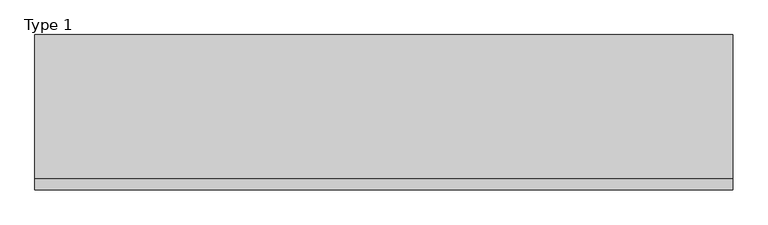
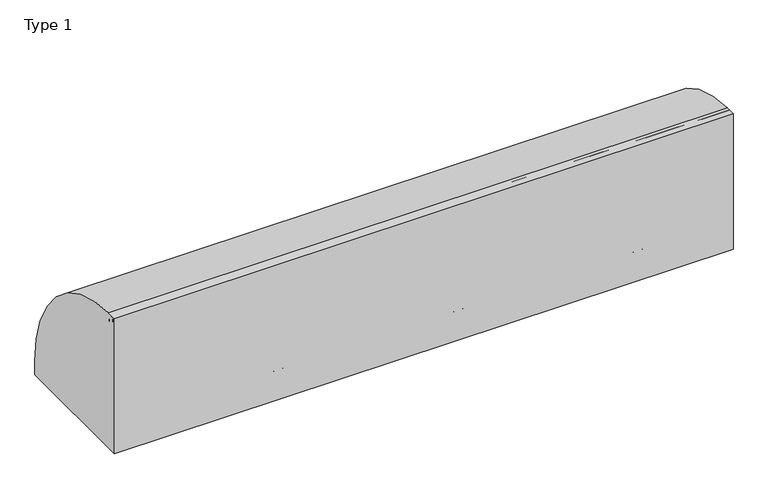
"""IFC4 building model written with IfcOpenShell, lengths in millimetres: railing geometry, Type 1."""

from ifc_helpers import new_model, si_unit, point, frame, frame_2d, origin, place, context, project, spatial, polyline, circle_curve, trimmed, segment, composite_curve, outline, extrude, source, transform, mapped, element, save
from ifc_brep_helpers import plane_surface, cylinder_surface, revolved_surface, advanced_brep


def type_1_e27938e5(model_context):
    return source(origin(), model_context, "Body", "SolidModel", [
        extrude(outline(composite_curve([segment(polyline([(-824.2, 1050.0), (-747.6546144, 1050.0)]), True, "CONTINUOUS"), segment(trimmed(circle_curve(frame_2d((-754.8273072, 108.0)), 942.0273072), [point((-747.6546144, 1050.0))], [point((187.2, 108.0))], False, "CARTESIAN"), True, "CONTINUOUS"), segment(polyline([(187.2, 108.0), (187.2, 0.0), (-824.2, 0.0), (-824.2, 1050.0)]), True, "CONTINUOUS")], self_intersect=False)), frame((-1230.0, 0.0, 0.0), z_axis=(1.0, 0.0, 0.0), x_axis=(0.0, 1.0, 0.0)), (0.0, 0.0, 1.0), 4545.0),
        extrude(outline(composite_curve([segment(trimmed(circle_curve(frame_2d((-746.287505, 538.0)), 20.0), [point((-727.7, 530.617273))], [point((-762.0, 525.6259343))], False, "CARTESIAN"), True, "CONTINUOUS"), segment(polyline([(-762.0, 525.6259343), (-762.0, 550.3740657)]), True, "CONTINUOUS"), segment(trimmed(circle_curve(frame_2d((-746.287505, 538.0)), 20.0), [point((-762.0, 550.3740657))], [point((-727.7, 545.382727))], False, "CARTESIAN"), True, "CONTINUOUS"), segment(polyline([(-727.7, 545.382727), (-731.7, 545.382727), (-731.7, 530.617273), (-727.7, 530.617273)]), True, "CONTINUOUS")], self_intersect=False)), frame((-1180.0, 0.0, 0.0), z_axis=(1.0, 0.0, 0.0), x_axis=(0.0, 1.0, 0.0)), (0.0, 0.0, 1.0), 4475.0),
        extrude(outline(composite_curve([segment(trimmed(circle_curve(frame_2d((-781.0, 1025.0)), 25.0), [point((-802.0, 1011.43534))], [point((-760.0, 1011.43534))], False, "CARTESIAN"), True, "CONTINUOUS"), segment(polyline([(-760.0, 1011.43534), (-760.0, 993.0), (-761.0, 993.0), (-761.0, 1008.0), (-801.0, 1008.0), (-801.0, 993.0), (-802.0, 993.0), (-802.0, 1011.43534)]), True, "CONTINUOUS")], self_intersect=False)), frame((-1230.0, 0.0, 0.0), z_axis=(1.0, 0.0, 0.0), x_axis=(0.0, 1.0, 0.0)), (0.0, 0.0, 1.0), 4545.0),
        extrude(outline(composite_curve([segment(polyline([(-800.0, 185.0), (-767.1999123, 185.0)]), True, "CONTINUOUS"), segment(trimmed(circle_curve(frame_2d((-767.1999123, 112.1212122)), 72.8787879), [point((-767.1999123, 185.0))], [point((-715.6668272, 163.6542973))], False, "CARTESIAN"), True, "CONTINUOUS"), segment(polyline([(-715.6668272, 163.6542973), (-601.4657725, 49.4532425)]), True, "CONTINUOUS"), segment(trimmed(circle_curve(frame_2d((-609.3939394, 41.5250756)), 11.2121212), [point((-601.4657725, 49.4532425))], [point((-598.1818182, 41.5250756))], False, "CARTESIAN"), True, "CONTINUOUS"), segment(polyline([(-598.1818182, 41.5250756), (-598.1818182, 0.0), (-800.0, 0.0), (-800.0, 185.0)]), True, "CONTINUOUS")], self_intersect=False), holes=[composite_curve([segment(trimmed(circle_curve(frame_2d((-705.7014901, 93.0361975)), 5.6060606), [point((-711.3075507, 93.0361975))], [point((-700.0954295, 93.0361975))], True, "CARTESIAN"), True, "CONTINUOUS"), segment(trimmed(circle_curve(frame_2d((-778.6969697, 93.0361975)), 78.6015402), [point((-700.0954295, 93.0361975))], [point((-778.6969697, 171.6377377))], True, "CARTESIAN"), True, "CONTINUOUS"), segment(trimmed(circle_curve(frame_2d((-778.6969697, 166.0316771)), 5.6060606), [point((-778.6969697, 171.6377377))], [point((-784.3030303, 166.0316771))], True, "CARTESIAN"), True, "CONTINUOUS"), segment(polyline([(-784.3030303, 166.0316771), (-784.3030303, 143.5676849)]), True, "CONTINUOUS"), segment(trimmed(circle_curve(frame_2d((-778.6969697, 143.5676849)), 5.6060606), [point((-784.3030303, 143.5676849))], [point((-773.0909091, 143.5676849))], True, "CARTESIAN"), True, "CONTINUOUS"), segment(polyline([(-773.0909091, 143.5676849), (-773.0909091, 157.7293747)]), True, "CONTINUOUS"), segment(trimmed(circle_curve(frame_2d((-770.8668077, 157.7293747)), 2.2241014), [point((-773.0909091, 157.7293747))], [point((-770.5995631, 159.9373619))], False, "CARTESIAN"), True, "CONTINUOUS"), segment(trimmed(circle_curve(frame_2d((-778.6969697, 93.0361975)), 67.389419), [point((-770.5995631, 159.9373619))], [point((-711.3075507, 93.0361975))], False, "CARTESIAN"), True, "CONTINUOUS")], self_intersect=False)]), frame((1315.0, 0.0, 0.0), z_axis=(1.0, 0.0, 0.0), x_axis=(0.0, 1.0, 0.0)), (0.0, 0.0, 1.0), 2.5),
        advanced_brep(
        [(1382.5, -800.0, 185.0), (1382.5, -767.1999123, 185.0), (1382.5, -715.6668272, 163.6542973), (1382.5, -601.4657725, 49.4532425), (1382.5, -598.1818182, 41.5250756), (1382.5, -598.1818182, 0.0), (1382.5, -800.0, 0.0), (1382.5, -800.0, 100.9768515), (1382.5, -711.3075507, 93.0361975), (1382.5, -700.0954295, 93.0361975), (1382.5, -778.6969697, 171.6377377), (1382.5, -784.3030303, 166.0316771), (1382.5, -784.3030303, 143.5676849), (1382.5, -773.0909091, 143.5676849), (1382.5, -773.0909091, 157.7293747), (1382.5, -770.5995631, 159.9373619), (1385.0, -800.0, 0.0), (1385.0, -598.1818182, 0.0), (1385.0, -598.1818182, 41.5250756), (1385.0, -601.4657725, 49.4532425), (1385.0, -715.6668272, 163.6542973), (1385.0, -767.1999123, 185.0), (1385.0, -802.0, 185.0), (1385.0, -802.0, 100.9768515), (1385.0, -800.0, 100.9768515), (1385.0, -711.3075507, 93.0361975), (1385.0, -770.5995631, 159.9373619), (1385.0, -773.0909091, 157.7293747), (1385.0, -773.0909091, 143.5676849), (1385.0, -784.3030303, 143.5676849), (1385.0, -784.3030303, 166.0316771), (1385.0, -778.6969697, 171.6377377), (1385.0, -700.0954295, 93.0361975), (1315.0, -800.0, 185.0), (1315.0, -802.0, 185.0), (1315.0, -802.0, 100.9768515), (1315.0, -800.0, 100.9768515)],
        [
            (0, 1),
            (1, 2, circle_curve(frame((1382.5, -767.1999123, 112.1212122), z_axis=(-1.0, 0.0, 0.0), x_axis=(0.0, -1.0, 0.0)), 72.8787879)),
            (2, 3),
            (3, 4, circle_curve(frame((1382.5, -609.3939394, 41.5250756), z_axis=(-1.0, 0.0, 0.0), x_axis=(0.0, -1.0, 0.0)), 11.2121212)),
            (4, 5),
            (5, 6),
            (6, 7),
            (7, 0),
            (8, 9, circle_curve(frame((1382.5, -705.7014901, 93.0361975), z_axis=(1.0, 0.0, 0.0), x_axis=(0.0, -1.0, 0.0)), 5.6060606)),
            (9, 10, circle_curve(frame((1382.5, -778.6969697, 93.0361975), z_axis=(1.0, 0.0, 0.0), x_axis=(0.0, -1.0, 0.0)), 78.6015402)),
            (10, 11, circle_curve(frame((1382.5, -778.6969697, 166.0316771), z_axis=(1.0, 0.0, 0.0), x_axis=(0.0, -1.0, 0.0)), 5.6060606)),
            (11, 12),
            (12, 13, circle_curve(frame((1382.5, -778.6969697, 143.5676849), z_axis=(1.0, 0.0, 0.0), x_axis=(0.0, -1.0, 0.0)), 5.6060606)),
            (13, 14),
            (14, 15, circle_curve(frame((1382.5, -770.8668077, 157.7293747), z_axis=(-1.0, 0.0, 0.0), x_axis=(0.0, -1.0, 0.0)), 2.2241014)),
            (15, 8, circle_curve(frame((1382.5, -778.6969697, 93.0361975), z_axis=(-1.0, 0.0, 0.0), x_axis=(0.0, -1.0, 0.0)), 67.389419)),
            (16, 17),
            (17, 18),
            (18, 19, circle_curve(frame((1385.0, -609.3939394, 41.5250756), z_axis=(1.0, 0.0, 0.0), x_axis=(0.0, -1.0, 0.0)), 11.2121212)),
            (19, 20),
            (20, 21, circle_curve(frame((1385.0, -767.1999123, 112.1212122), z_axis=(1.0, 0.0, 0.0), x_axis=(0.0, -1.0, 0.0)), 72.8787879)),
            (21, 22),
            (22, 23),
            (23, 24),
            (24, 16),
            (25, 26, circle_curve(frame((1385.0, -778.6969697, 93.0361975), z_axis=(1.0, 0.0, 0.0), x_axis=(0.0, -1.0, 0.0)), 67.389419)),
            (26, 27, circle_curve(frame((1385.0, -770.8668077, 157.7293747), z_axis=(1.0, 0.0, 0.0), x_axis=(0.0, -1.0, 0.0)), 2.2241014)),
            (27, 28),
            (28, 29, circle_curve(frame((1385.0, -778.6969697, 143.5676849), z_axis=(-1.0, 0.0, 0.0), x_axis=(0.0, -1.0, 0.0)), 5.6060606)),
            (29, 30),
            (30, 31, circle_curve(frame((1385.0, -778.6969697, 166.0316771), z_axis=(-1.0, 0.0, 0.0), x_axis=(0.0, -1.0, 0.0)), 5.6060606)),
            (31, 32, circle_curve(frame((1385.0, -778.6969697, 93.0361975), z_axis=(-1.0, 0.0, 0.0), x_axis=(0.0, -1.0, 0.0)), 78.6015402)),
            (32, 25, circle_curve(frame((1385.0, -705.7014901, 93.0361975), z_axis=(-1.0, 0.0, 0.0), x_axis=(0.0, -1.0, 0.0)), 5.6060606)),
            (0, 33),
            (33, 34),
            (34, 22),
            (21, 1),
            (20, 2),
            (19, 3),
            (18, 4),
            (17, 5),
            (16, 6),
            (24, 7),
            (8, 25),
            (32, 9),
            (31, 10),
            (30, 11),
            (15, 26),
            (29, 12),
            (28, 13),
            (27, 14),
            (34, 35),
            (35, 23),
            (36, 33),
            (7, 36),
            (36, 35),
        ],
        [
            plane_surface(frame((1382.5, -798.2270223, 185.0), z_axis=(-1.0, 0.0, 0.0), x_axis=(0.0, 1.0, 0.0))),
            plane_surface(frame((1385.0, -798.2270223, 185.0), z_axis=(1.0, 0.0, 0.0), x_axis=(0.0, -1.0, 0.0))),
            plane_surface(frame((1382.5, -800.0, 185.0), z_axis=(0.0, 0.0, 1.0), x_axis=(1.0, 0.0, 0.0))),
            cylinder_surface(frame((1385.0, -767.1999123, 112.1212122), z_axis=(-1.0, 0.0, 0.0), x_axis=(0.0, -1.0, 0.0)), 72.8787879),
            plane_surface(frame((1382.5, -715.6668272, 163.6542973), z_axis=(0.0, 0.7071067811865421, 0.7071067811865529), x_axis=(1.0, 0.0, 0.0))),
            cylinder_surface(frame((1385.0, -609.3939394, 41.5250756), z_axis=(-1.0, 0.0, 0.0), x_axis=(0.0, -1.0, 0.0)), 11.2121212),
            plane_surface(frame((1382.5, -598.1818182, 41.5250756), z_axis=(0.0, 1.0, 0.0), x_axis=(1.0, 0.0, 0.0))),
            plane_surface(frame((1382.5, -598.1818182, 0.0), z_axis=(0.0, 0.0, -1.0), x_axis=(1.0, 0.0, 0.0))),
            plane_surface(frame((1382.5, -800.0, 0.0), z_axis=(0.0, -1.0, 0.0), x_axis=(1.0, 0.0, 0.0))),
            revolved_surface(polyline([(1385.0, -711.3075507, 93.0361975), (1382.5, -711.3075507, 93.0361975)]), (1385.0, -705.7014901, 93.0361975), (1.0, 0.0, 0.0)),
            revolved_surface(polyline([(1385.0, -857.2985099, 93.0361975), (1382.5, -857.2985099, 93.0361975)]), (1385.0, -778.6969697, 93.0361975), (1.0, 0.0, 0.0)),
            revolved_surface(polyline([(1385.0, -784.3030302999999, 166.0316771), (1382.5, -784.3030302999999, 166.0316771)]), (1385.0, -778.6969697, 166.0316771), (1.0, 0.0, 0.0)),
            cylinder_surface(frame((1385.0, -778.6969697, 93.0361975), z_axis=(-1.0, 0.0, 0.0), x_axis=(0.0, -1.0, 0.0)), 67.389419),
            plane_surface(frame((1382.5, -784.3030303, 166.0316771), z_axis=(0.0, 1.0, 0.0), x_axis=(1.0, 0.0, 0.0))),
            revolved_surface(polyline([(1385.0, -784.3030302999999, 143.5676849), (1382.5, -784.3030302999999, 143.5676849)]), (1385.0, -778.6969697, 143.5676849), (1.0, 0.0, 0.0)),
            plane_surface(frame((1382.5, -773.0909091, 143.5676849), z_axis=(0.0, -1.0, 0.0), x_axis=(1.0, 0.0, 0.0))),
            cylinder_surface(frame((1385.0, -770.8668077, 157.7293747), z_axis=(-1.0, 0.0, 0.0), x_axis=(0.0, -1.0, 0.0)), 2.2241014),
            plane_surface(frame((1315.0, -802.0, 185.0), z_axis=(0.0, -1.0, 0.0), x_axis=(-1.0, 0.0, 0.0))),
            plane_surface(frame((1315.0, -800.0, 185.0), z_axis=(0.0, 1.0, 0.0), x_axis=(1.0, 0.0, 0.0))),
            plane_surface(frame((1315.0, -802.0, 185.0), z_axis=(-1.0, 0.0, 0.0), x_axis=(0.0, 1.0, 0.0))),
            plane_surface(frame((1315.0, -802.0, 100.9768515), z_axis=(0.0, 0.0, -1.0), x_axis=(0.0, 1.0, 0.0))),
        ],
        [
            (0, [[1, 2, 3, 4, 5, 6, 7, 8], [9, 10, 11, 12, 13, 14, 15, 16]]),
            (1, [[17, 18, 19, 20, 21, 22, 23, 24, 25], [26, 27, 28, 29, 30, 31, 32, 33]]),
            (2, [[-1, 34, 35, 36, -22, 37]]),
            (3, [[-2, -37, -21, 38]]),
            (4, [[-3, -38, -20, 39]]),
            (5, [[-4, -39, -19, 40]]),
            (6, [[-5, -40, -18, 41]]),
            (7, [[-6, -41, -17, 42]]),
            (8, [[-42, -25, 43, -7]]),
            (9, [[-9, 44, -33, 45]]),
            (10, [[-10, -45, -32, 46]]),
            (11, [[-11, -46, -31, 47]]),
            (12, [[-16, 48, -26, -44]]),
            (13, [[-12, -47, -30, 49]]),
            (14, [[-13, -49, -29, 50]]),
            (15, [[-14, -50, -28, 51]]),
            (16, [[-15, -51, -27, -48]]),
            (17, [[-36, 52, 53, -23]]),
            (18, [[54, -34, -8, 55]]),
            (19, [[-52, -35, -54, 56]]),
            (20, [[-53, -56, -55, -43, -24]]),
        ],
    ),
        extrude(outline(composite_curve([segment(trimmed(circle_curve(frame_2d((1327.0, -795.0)), 5.0), [point((1327.0, -800.0))], [point((1322.0, -795.0))], False, "CARTESIAN"), True, "CONTINUOUS"), segment(polyline([(1322.0, -795.0), (1322.0, -767.0)]), True, "CONTINUOUS"), segment(trimmed(circle_curve(frame_2d((1327.0, -767.0)), 5.0), [point((1322.0, -767.0))], [point((1327.0, -762.0))], False, "CARTESIAN"), True, "CONTINUOUS"), segment(polyline([(1327.0, -762.0), (1373.0, -762.0)]), True, "CONTINUOUS"), segment(trimmed(circle_curve(frame_2d((1373.0, -767.0)), 5.0), [point((1373.0, -762.0))], [point((1378.0, -767.0))], False, "CARTESIAN"), True, "CONTINUOUS"), segment(polyline([(1378.0, -767.0), (1378.0, -795.0)]), True, "CONTINUOUS"), segment(trimmed(circle_curve(frame_2d((1373.0, -795.0)), 5.0), [point((1378.0, -795.0))], [point((1373.0, -800.0))], False, "CARTESIAN"), True, "CONTINUOUS"), segment(polyline([(1373.0, -800.0), (1327.0, -800.0)]), True, "CONTINUOUS")], self_intersect=False)), frame((0.0, 0.0, 43.0), z_axis=(0.0, 0.0, 1.0), x_axis=(1.0, 0.0, 0.0)), (0.0, 0.0, 1.0), 965.0),
        extrude(outline(composite_curve([segment(polyline([(0.0, 1382.5), (36.5, 1382.5)]), True, "CONTINUOUS"), segment(trimmed(circle_curve(frame_2d((36.5, 1381.0)), 1.5), [point((36.5, 1382.5))], [point((36.5, 1379.5))], False, "CARTESIAN"), True, "CONTINUOUS"), segment(polyline([(36.5, 1379.5), (3.0, 1379.5), (3.0, 1320.5), (36.5, 1320.5)]), True, "CONTINUOUS"), segment(trimmed(circle_curve(frame_2d((36.5, 1319.0)), 1.5), [point((36.5, 1320.5))], [point((36.5, 1317.5))], False, "CARTESIAN"), True, "CONTINUOUS"), segment(polyline([(36.5, 1317.5), (0.0, 1317.5), (0.0, 1382.5)]), True, "CONTINUOUS")], self_intersect=False)), frame((0.0, -800.0, 0.0), z_axis=(0.0, 1.0, 0.0), x_axis=(0.0, 0.0, 1.0)), (0.0, 0.0, 1.0), 800.0),
        extrude(outline(composite_curve([segment(polyline([(-800.0, 185.0), (-767.1999123, 185.0)]), True, "CONTINUOUS"), segment(trimmed(circle_curve(frame_2d((-767.1999123, 112.1212122)), 72.8787879), [point((-767.1999123, 185.0))], [point((-715.6668272, 163.6542973))], False, "CARTESIAN"), True, "CONTINUOUS"), segment(polyline([(-715.6668272, 163.6542973), (-601.4657725, 49.4532425)]), True, "CONTINUOUS"), segment(trimmed(circle_curve(frame_2d((-609.3939394, 41.5250756)), 11.2121212), [point((-601.4657725, 49.4532425))], [point((-598.1818182, 41.5250756))], False, "CARTESIAN"), True, "CONTINUOUS"), segment(polyline([(-598.1818182, 41.5250756), (-598.1818182, 0.0), (-800.0, 0.0), (-800.0, 185.0)]), True, "CONTINUOUS")], self_intersect=False), holes=[composite_curve([segment(trimmed(circle_curve(frame_2d((-705.7014901, 93.0361975)), 5.6060606), [point((-711.3075507, 93.0361975))], [point((-700.0954295, 93.0361975))], True, "CARTESIAN"), True, "CONTINUOUS"), segment(trimmed(circle_curve(frame_2d((-778.6969697, 93.0361975)), 78.6015402), [point((-700.0954295, 93.0361975))], [point((-778.6969697, 171.6377377))], True, "CARTESIAN"), True, "CONTINUOUS"), segment(trimmed(circle_curve(frame_2d((-778.6969697, 166.0316771)), 5.6060606), [point((-778.6969697, 171.6377377))], [point((-784.3030303, 166.0316771))], True, "CARTESIAN"), True, "CONTINUOUS"), segment(polyline([(-784.3030303, 166.0316771), (-784.3030303, 143.5676849)]), True, "CONTINUOUS"), segment(trimmed(circle_curve(frame_2d((-778.6969697, 143.5676849)), 5.6060606), [point((-784.3030303, 143.5676849))], [point((-773.0909091, 143.5676849))], True, "CARTESIAN"), True, "CONTINUOUS"), segment(polyline([(-773.0909091, 143.5676849), (-773.0909091, 157.7293747)]), True, "CONTINUOUS"), segment(trimmed(circle_curve(frame_2d((-770.8668077, 157.7293747)), 2.2241014), [point((-773.0909091, 157.7293747))], [point((-770.5995631, 159.9373619))], False, "CARTESIAN"), True, "CONTINUOUS"), segment(trimmed(circle_curve(frame_2d((-778.6969697, 93.0361975)), 67.389419), [point((-770.5995631, 159.9373619))], [point((-711.3075507, 93.0361975))], False, "CARTESIAN"), True, "CONTINUOUS")], self_intersect=False)]), frame((2637.0, 0.0, 0.0), z_axis=(1.0, 0.0, 0.0), x_axis=(0.0, 1.0, 0.0)), (0.0, 0.0, 1.0), 2.5),
        advanced_brep(
        [(2704.5, -800.0, 185.0), (2704.5, -767.1999123, 185.0), (2704.5, -715.6668272, 163.6542973), (2704.5, -601.4657725, 49.4532425), (2704.5, -598.1818182, 41.5250756), (2704.5, -598.1818182, 0.0), (2704.5, -800.0, 0.0), (2704.5, -800.0, 100.9768515), (2704.5, -711.3075507, 93.0361975), (2704.5, -700.0954295, 93.0361975), (2704.5, -778.6969697, 171.6377377), (2704.5, -784.3030303, 166.0316771), (2704.5, -784.3030303, 143.5676849), (2704.5, -773.0909091, 143.5676849), (2704.5, -773.0909091, 157.7293747), (2704.5, -770.5995631, 159.9373619), (2707.0, -800.0, 0.0), (2707.0, -598.1818182, 0.0), (2707.0, -598.1818182, 41.5250756), (2707.0, -601.4657725, 49.4532425), (2707.0, -715.6668272, 163.6542973), (2707.0, -767.1999123, 185.0), (2707.0, -802.0, 185.0), (2707.0, -802.0, 100.9768515), (2707.0, -800.0, 100.9768515), (2707.0, -711.3075507, 93.0361975), (2707.0, -770.5995631, 159.9373619), (2707.0, -773.0909091, 157.7293747), (2707.0, -773.0909091, 143.5676849), (2707.0, -784.3030303, 143.5676849), (2707.0, -784.3030303, 166.0316771), (2707.0, -778.6969697, 171.6377377), (2707.0, -700.0954295, 93.0361975), (2637.0, -800.0, 185.0), (2637.0, -802.0, 185.0), (2637.0, -802.0, 100.9768515), (2637.0, -800.0, 100.9768515)],
        [
            (0, 1),
            (1, 2, circle_curve(frame((2704.5, -767.1999123, 112.1212122), z_axis=(-1.0, 0.0, 0.0), x_axis=(0.0, -1.0, 0.0)), 72.8787879)),
            (2, 3),
            (3, 4, circle_curve(frame((2704.5, -609.3939394, 41.5250756), z_axis=(-1.0, 0.0, 0.0), x_axis=(0.0, -1.0, 0.0)), 11.2121212)),
            (4, 5),
            (5, 6),
            (6, 7),
            (7, 0),
            (8, 9, circle_curve(frame((2704.5, -705.7014901, 93.0361975), z_axis=(1.0, 0.0, 0.0), x_axis=(0.0, -1.0, 0.0)), 5.6060606)),
            (9, 10, circle_curve(frame((2704.5, -778.6969697, 93.0361975), z_axis=(1.0, 0.0, 0.0), x_axis=(0.0, -1.0, 0.0)), 78.6015402)),
            (10, 11, circle_curve(frame((2704.5, -778.6969697, 166.0316771), z_axis=(1.0, 0.0, 0.0), x_axis=(0.0, -1.0, 0.0)), 5.6060606)),
            (11, 12),
            (12, 13, circle_curve(frame((2704.5, -778.6969697, 143.5676849), z_axis=(1.0, 0.0, 0.0), x_axis=(0.0, -1.0, 0.0)), 5.6060606)),
            (13, 14),
            (14, 15, circle_curve(frame((2704.5, -770.8668077, 157.7293747), z_axis=(-1.0, 0.0, 0.0), x_axis=(0.0, -1.0, 0.0)), 2.2241014)),
            (15, 8, circle_curve(frame((2704.5, -778.6969697, 93.0361975), z_axis=(-1.0, 0.0, 0.0), x_axis=(0.0, -1.0, 0.0)), 67.389419)),
            (16, 17),
            (17, 18),
            (18, 19, circle_curve(frame((2707.0, -609.3939394, 41.5250756), z_axis=(1.0, 0.0, 0.0), x_axis=(0.0, -1.0, 0.0)), 11.2121212)),
            (19, 20),
            (20, 21, circle_curve(frame((2707.0, -767.1999123, 112.1212122), z_axis=(1.0, 0.0, 0.0), x_axis=(0.0, -1.0, 0.0)), 72.8787879)),
            (21, 22),
            (22, 23),
            (23, 24),
            (24, 16),
            (25, 26, circle_curve(frame((2707.0, -778.6969697, 93.0361975), z_axis=(1.0, 0.0, 0.0), x_axis=(0.0, -1.0, 0.0)), 67.389419)),
            (26, 27, circle_curve(frame((2707.0, -770.8668077, 157.7293747), z_axis=(1.0, 0.0, 0.0), x_axis=(0.0, -1.0, 0.0)), 2.2241014)),
            (27, 28),
            (28, 29, circle_curve(frame((2707.0, -778.6969697, 143.5676849), z_axis=(-1.0, 0.0, 0.0), x_axis=(0.0, -1.0, 0.0)), 5.6060606)),
            (29, 30),
            (30, 31, circle_curve(frame((2707.0, -778.6969697, 166.0316771), z_axis=(-1.0, 0.0, 0.0), x_axis=(0.0, -1.0, 0.0)), 5.6060606)),
            (31, 32, circle_curve(frame((2707.0, -778.6969697, 93.0361975), z_axis=(-1.0, 0.0, 0.0), x_axis=(0.0, -1.0, 0.0)), 78.6015402)),
            (32, 25, circle_curve(frame((2707.0, -705.7014901, 93.0361975), z_axis=(-1.0, 0.0, 0.0), x_axis=(0.0, -1.0, 0.0)), 5.6060606)),
            (0, 33),
            (33, 34),
            (34, 22),
            (21, 1),
            (20, 2),
            (19, 3),
            (18, 4),
            (17, 5),
            (16, 6),
            (24, 7),
            (8, 25),
            (32, 9),
            (31, 10),
            (30, 11),
            (15, 26),
            (29, 12),
            (28, 13),
            (27, 14),
            (34, 35),
            (35, 23),
            (36, 33),
            (7, 36),
            (36, 35),
        ],
        [
            plane_surface(frame((2704.5, -798.2270223, 185.0), z_axis=(-1.0, 0.0, 0.0), x_axis=(0.0, 1.0, 0.0))),
            plane_surface(frame((2707.0, -798.2270223, 185.0), z_axis=(1.0, 0.0, 0.0), x_axis=(0.0, -1.0, 0.0))),
            plane_surface(frame((2704.5, -800.0, 185.0), z_axis=(0.0, 0.0, 1.0), x_axis=(1.0, 0.0, 0.0))),
            cylinder_surface(frame((2707.0, -767.1999123, 112.1212122), z_axis=(-1.0, 0.0, 0.0), x_axis=(0.0, -1.0, 0.0)), 72.8787879),
            plane_surface(frame((2704.5, -715.6668272, 163.6542973), z_axis=(0.0, 0.7071067811865421, 0.7071067811865529), x_axis=(1.0, 0.0, 0.0))),
            cylinder_surface(frame((2707.0, -609.3939394, 41.5250756), z_axis=(-1.0, 0.0, 0.0), x_axis=(0.0, -1.0, 0.0)), 11.2121212),
            plane_surface(frame((2704.5, -598.1818182, 41.5250756), z_axis=(0.0, 1.0, 0.0), x_axis=(1.0, 0.0, 0.0))),
            plane_surface(frame((2704.5, -598.1818182, 0.0), z_axis=(0.0, 0.0, -1.0), x_axis=(1.0, 0.0, 0.0))),
            plane_surface(frame((2704.5, -800.0, 0.0), z_axis=(0.0, -1.0, 0.0), x_axis=(1.0, 0.0, 0.0))),
            revolved_surface(polyline([(2707.0, -711.3075507, 93.0361975), (2704.5, -711.3075507, 93.0361975)]), (2707.0, -705.7014901, 93.0361975), (1.0, 0.0, 0.0)),
            revolved_surface(polyline([(2707.0, -857.2985099, 93.0361975), (2704.5, -857.2985099, 93.0361975)]), (2707.0, -778.6969697, 93.0361975), (1.0, 0.0, 0.0)),
            revolved_surface(polyline([(2707.0, -784.3030302999999, 166.0316771), (2704.5, -784.3030302999999, 166.0316771)]), (2707.0, -778.6969697, 166.0316771), (1.0, 0.0, 0.0)),
            cylinder_surface(frame((2707.0, -778.6969697, 93.0361975), z_axis=(-1.0, 0.0, 0.0), x_axis=(0.0, -1.0, 0.0)), 67.389419),
            plane_surface(frame((2704.5, -784.3030303, 166.0316771), z_axis=(0.0, 1.0, 0.0), x_axis=(1.0, 0.0, 0.0))),
            revolved_surface(polyline([(2707.0, -784.3030302999999, 143.5676849), (2704.5, -784.3030302999999, 143.5676849)]), (2707.0, -778.6969697, 143.5676849), (1.0, 0.0, 0.0)),
            plane_surface(frame((2704.5, -773.0909091, 143.5676849), z_axis=(0.0, -1.0, 0.0), x_axis=(1.0, 0.0, 0.0))),
            cylinder_surface(frame((2707.0, -770.8668077, 157.7293747), z_axis=(-1.0, 0.0, 0.0), x_axis=(0.0, -1.0, 0.0)), 2.2241014),
            plane_surface(frame((2637.0, -802.0, 185.0), z_axis=(0.0, -1.0, 0.0), x_axis=(-1.0, 0.0, 0.0))),
            plane_surface(frame((2637.0, -800.0, 185.0), z_axis=(0.0, 1.0, 0.0), x_axis=(1.0, 0.0, 0.0))),
            plane_surface(frame((2637.0, -802.0, 185.0), z_axis=(-1.0, 0.0, 0.0), x_axis=(0.0, 1.0, 0.0))),
            plane_surface(frame((2637.0, -802.0, 100.9768515), z_axis=(0.0, 0.0, -1.0), x_axis=(0.0, 1.0, 0.0))),
        ],
        [
            (0, [[1, 2, 3, 4, 5, 6, 7, 8], [9, 10, 11, 12, 13, 14, 15, 16]]),
            (1, [[17, 18, 19, 20, 21, 22, 23, 24, 25], [26, 27, 28, 29, 30, 31, 32, 33]]),
            (2, [[-1, 34, 35, 36, -22, 37]]),
            (3, [[-2, -37, -21, 38]]),
            (4, [[-3, -38, -20, 39]]),
            (5, [[-4, -39, -19, 40]]),
            (6, [[-5, -40, -18, 41]]),
            (7, [[-6, -41, -17, 42]]),
            (8, [[-42, -25, 43, -7]]),
            (9, [[-9, 44, -33, 45]]),
            (10, [[-10, -45, -32, 46]]),
            (11, [[-11, -46, -31, 47]]),
            (12, [[-16, 48, -26, -44]]),
            (13, [[-12, -47, -30, 49]]),
            (14, [[-13, -49, -29, 50]]),
            (15, [[-14, -50, -28, 51]]),
            (16, [[-15, -51, -27, -48]]),
            (17, [[-36, 52, 53, -23]]),
            (18, [[54, -34, -8, 55]]),
            (19, [[-52, -35, -54, 56]]),
            (20, [[-53, -56, -55, -43, -24]]),
        ],
    ),
        extrude(outline(composite_curve([segment(trimmed(circle_curve(frame_2d((2649.0, -795.0)), 5.0), [point((2649.0, -800.0))], [point((2644.0, -795.0))], False, "CARTESIAN"), True, "CONTINUOUS"), segment(polyline([(2644.0, -795.0), (2644.0, -767.0)]), True, "CONTINUOUS"), segment(trimmed(circle_curve(frame_2d((2649.0, -767.0)), 5.0), [point((2644.0, -767.0))], [point((2649.0, -762.0))], False, "CARTESIAN"), True, "CONTINUOUS"), segment(polyline([(2649.0, -762.0), (2695.0, -762.0)]), True, "CONTINUOUS"), segment(trimmed(circle_curve(frame_2d((2695.0, -767.0)), 5.0), [point((2695.0, -762.0))], [point((2700.0, -767.0))], False, "CARTESIAN"), True, "CONTINUOUS"), segment(polyline([(2700.0, -767.0), (2700.0, -795.0)]), True, "CONTINUOUS"), segment(trimmed(circle_curve(frame_2d((2695.0, -795.0)), 5.0), [point((2700.0, -795.0))], [point((2695.0, -800.0))], False, "CARTESIAN"), True, "CONTINUOUS"), segment(polyline([(2695.0, -800.0), (2649.0, -800.0)]), True, "CONTINUOUS")], self_intersect=False)), frame((0.0, 0.0, 43.0), z_axis=(0.0, 0.0, 1.0), x_axis=(1.0, 0.0, 0.0)), (0.0, 0.0, 1.0), 965.0),
        extrude(outline(composite_curve([segment(polyline([(0.0, 2704.5), (36.5, 2704.5)]), True, "CONTINUOUS"), segment(trimmed(circle_curve(frame_2d((36.5, 2703.0)), 1.5), [point((36.5, 2704.5))], [point((36.5, 2701.5))], False, "CARTESIAN"), True, "CONTINUOUS"), segment(polyline([(36.5, 2701.5), (3.0, 2701.5), (3.0, 2642.5), (36.5, 2642.5)]), True, "CONTINUOUS"), segment(trimmed(circle_curve(frame_2d((36.5, 2641.0)), 1.5), [point((36.5, 2642.5))], [point((36.5, 2639.5))], False, "CARTESIAN"), True, "CONTINUOUS"), segment(polyline([(36.5, 2639.5), (0.0, 2639.5), (0.0, 2704.5)]), True, "CONTINUOUS")], self_intersect=False)), frame((0.0, -800.0, 0.0), z_axis=(0.0, 1.0, 0.0), x_axis=(0.0, 0.0, 1.0)), (0.0, 0.0, 1.0), 800.0),
        extrude(outline(composite_curve([segment(polyline([(-800.0, 185.0), (-767.1999123, 185.0)]), True, "CONTINUOUS"), segment(trimmed(circle_curve(frame_2d((-767.1999123, 112.1212121)), 72.8787879), [point((-767.1999123, 185.0))], [point((-715.6668272, 163.6542972))], False, "CARTESIAN"), True, "CONTINUOUS"), segment(polyline([(-715.6668272, 163.6542972), (-601.4657725, 49.4532425)]), True, "CONTINUOUS"), segment(trimmed(circle_curve(frame_2d((-609.3939394, 41.5250755)), 11.2121212), [point((-601.4657725, 49.4532425))], [point((-598.1818182, 41.5250755))], False, "CARTESIAN"), True, "CONTINUOUS"), segment(polyline([(-598.1818182, 41.5250755), (-598.1818182, 0.0), (-800.0, 0.0), (-800.0, 185.0)]), True, "CONTINUOUS")], self_intersect=False), holes=[composite_curve([segment(trimmed(circle_curve(frame_2d((-705.7014901, 93.0361974)), 5.6060606), [point((-711.3075507, 93.0361974))], [point((-700.0954295, 93.0361974))], True, "CARTESIAN"), True, "CONTINUOUS"), segment(trimmed(circle_curve(frame_2d((-778.6969697, 93.0361974)), 78.6015402), [point((-700.0954295, 93.0361974))], [point((-778.6969697, 171.6377376))], True, "CARTESIAN"), True, "CONTINUOUS"), segment(trimmed(circle_curve(frame_2d((-778.6969697, 166.031677)), 5.6060606), [point((-778.6969697, 171.6377376))], [point((-784.3030303, 166.031677))], True, "CARTESIAN"), True, "CONTINUOUS"), segment(polyline([(-784.3030303, 166.031677), (-784.3030303, 143.5676849)]), True, "CONTINUOUS"), segment(trimmed(circle_curve(frame_2d((-778.6969697, 143.5676849)), 5.6060606), [point((-784.3030303, 143.5676849))], [point((-773.0909091, 143.5676849))], True, "CARTESIAN"), True, "CONTINUOUS"), segment(polyline([(-773.0909091, 143.5676849), (-773.0909091, 157.7293746)]), True, "CONTINUOUS"), segment(trimmed(circle_curve(frame_2d((-770.8668077, 157.7293746)), 2.2241014), [point((-773.0909091, 157.7293746))], [point((-770.5995631, 159.9373618))], False, "CARTESIAN"), True, "CONTINUOUS"), segment(trimmed(circle_curve(frame_2d((-778.6969697, 93.0361974)), 67.389419), [point((-770.5995631, 159.9373618))], [point((-711.3075507, 93.0361974))], False, "CARTESIAN"), True, "CONTINUOUS")], self_intersect=False)]), frame((-7.0, 0.0, 0.0), z_axis=(1.0, 0.0, 0.0), x_axis=(0.0, 1.0, 0.0)), (0.0, 0.0, 1.0), 2.5),
        advanced_brep(
        [(60.5, -800.0, 185.0), (60.5, -767.1999123, 185.0), (60.5, -715.6668272, 163.6542972), (60.5, -601.4657725, 49.4532425), (60.5, -598.1818182, 41.5250755), (60.5, -598.1818182, 0.0), (60.5, -800.0, 0.0), (60.5, -800.0, 100.9768514), (60.5, -711.3075507, 93.0361974), (60.5, -700.0954295, 93.0361974), (60.5, -778.6969697, 171.6377376), (60.5, -784.3030303, 166.031677), (60.5, -784.3030303, 143.5676849), (60.5, -773.0909091, 143.5676849), (60.5, -773.0909091, 157.7293746), (60.5, -770.5995631, 159.9373618), (63.0, -800.0, 0.0), (63.0, -598.1818182, 0.0), (63.0, -598.1818182, 41.5250755), (63.0, -601.4657725, 49.4532425), (63.0, -715.6668272, 163.6542972), (63.0, -767.1999123, 185.0), (63.0, -802.0, 185.0), (63.0, -802.0, 100.9768514), (63.0, -800.0, 100.9768514), (63.0, -711.3075507, 93.0361974), (63.0, -770.5995631, 159.9373618), (63.0, -773.0909091, 157.7293746), (63.0, -773.0909091, 143.5676849), (63.0, -784.3030303, 143.5676849), (63.0, -784.3030303, 166.031677), (63.0, -778.6969697, 171.6377376), (63.0, -700.0954295, 93.0361974), (-7.0, -800.0, 185.0), (-7.0, -802.0, 185.0), (-7.0, -802.0, 100.9768514), (-7.0, -800.0, 100.9768514)],
        [
            (0, 1),
            (1, 2, circle_curve(frame((60.5, -767.1999123, 112.1212121), z_axis=(-1.0, 0.0, 0.0), x_axis=(0.0, -1.0, 0.0)), 72.8787879)),
            (2, 3),
            (3, 4, circle_curve(frame((60.5, -609.3939394, 41.5250755), z_axis=(-1.0, 0.0, 0.0), x_axis=(0.0, -1.0, 0.0)), 11.2121212)),
            (4, 5),
            (5, 6),
            (6, 7),
            (7, 0),
            (8, 9, circle_curve(frame((60.5, -705.7014901, 93.0361974), z_axis=(1.0, 0.0, 0.0), x_axis=(0.0, -1.0, 0.0)), 5.6060606)),
            (9, 10, circle_curve(frame((60.5, -778.6969697, 93.0361974), z_axis=(1.0, 0.0, 0.0), x_axis=(0.0, -1.0, 0.0)), 78.6015402)),
            (10, 11, circle_curve(frame((60.5, -778.6969697, 166.031677), z_axis=(1.0, 0.0, 0.0), x_axis=(0.0, -1.0, 0.0)), 5.6060606)),
            (11, 12),
            (12, 13, circle_curve(frame((60.5, -778.6969697, 143.5676849), z_axis=(1.0, 0.0, 0.0), x_axis=(0.0, -1.0, 0.0)), 5.6060606)),
            (13, 14),
            (14, 15, circle_curve(frame((60.5, -770.8668077, 157.7293746), z_axis=(-1.0, 0.0, 0.0), x_axis=(0.0, -1.0, 0.0)), 2.2241014)),
            (15, 8, circle_curve(frame((60.5, -778.6969697, 93.0361974), z_axis=(-1.0, 0.0, 0.0), x_axis=(0.0, -1.0, 0.0)), 67.389419)),
            (16, 17),
            (17, 18),
            (18, 19, circle_curve(frame((63.0, -609.3939394, 41.5250755), z_axis=(1.0, 0.0, 0.0), x_axis=(0.0, -1.0, 0.0)), 11.2121212)),
            (19, 20),
            (20, 21, circle_curve(frame((63.0, -767.1999123, 112.1212121), z_axis=(1.0, 0.0, 0.0), x_axis=(0.0, -1.0, 0.0)), 72.8787879)),
            (21, 22),
            (22, 23),
            (23, 24),
            (24, 16),
            (25, 26, circle_curve(frame((63.0, -778.6969697, 93.0361974), z_axis=(1.0, 0.0, 0.0), x_axis=(0.0, -1.0, 0.0)), 67.389419)),
            (26, 27, circle_curve(frame((63.0, -770.8668077, 157.7293746), z_axis=(1.0, 0.0, 0.0), x_axis=(0.0, -1.0, 0.0)), 2.2241014)),
            (27, 28),
            (28, 29, circle_curve(frame((63.0, -778.6969697, 143.5676849), z_axis=(-1.0, 0.0, 0.0), x_axis=(0.0, -1.0, 0.0)), 5.6060606)),
            (29, 30),
            (30, 31, circle_curve(frame((63.0, -778.6969697, 166.031677), z_axis=(-1.0, 0.0, 0.0), x_axis=(0.0, -1.0, 0.0)), 5.6060606)),
            (31, 32, circle_curve(frame((63.0, -778.6969697, 93.0361974), z_axis=(-1.0, 0.0, 0.0), x_axis=(0.0, -1.0, 0.0)), 78.6015402)),
            (32, 25, circle_curve(frame((63.0, -705.7014901, 93.0361974), z_axis=(-1.0, 0.0, 0.0), x_axis=(0.0, -1.0, 0.0)), 5.6060606)),
            (0, 33),
            (33, 34),
            (34, 22),
            (21, 1),
            (20, 2),
            (19, 3),
            (18, 4),
            (17, 5),
            (16, 6),
            (24, 7),
            (8, 25),
            (32, 9),
            (31, 10),
            (30, 11),
            (15, 26),
            (29, 12),
            (28, 13),
            (27, 14),
            (34, 35),
            (35, 23),
            (36, 33),
            (7, 36),
            (36, 35),
        ],
        [
            plane_surface(frame((60.5, -798.2270223, 185.0), z_axis=(-1.0, 0.0, 0.0), x_axis=(0.0, 1.0, 0.0))),
            plane_surface(frame((63.0, -798.2270223, 185.0), z_axis=(1.0, 0.0, 0.0), x_axis=(0.0, -1.0, 0.0))),
            plane_surface(frame((60.5, -800.0, 185.0), z_axis=(0.0, 0.0, 1.0), x_axis=(1.0, 0.0, 0.0))),
            cylinder_surface(frame((63.0, -767.1999123, 112.1212121), z_axis=(-1.0, 0.0, 0.0), x_axis=(0.0, -1.0, 0.0)), 72.8787879),
            plane_surface(frame((60.5, -715.6668272, 163.6542972), z_axis=(0.0, 0.7071067811865421, 0.7071067811865529), x_axis=(1.0, 0.0, 0.0))),
            cylinder_surface(frame((63.0, -609.3939394, 41.5250755), z_axis=(-1.0, 0.0, 0.0), x_axis=(0.0, -1.0, 0.0)), 11.2121212),
            plane_surface(frame((60.5, -598.1818182, 41.5250755), z_axis=(0.0, 1.0, 0.0), x_axis=(1.0, 0.0, 0.0))),
            plane_surface(frame((60.5, -598.1818182, 0.0), z_axis=(0.0, 0.0, -1.0), x_axis=(1.0, 0.0, 0.0))),
            plane_surface(frame((60.5, -800.0, 0.0), z_axis=(0.0, -1.0, 0.0), x_axis=(1.0, 0.0, 0.0))),
            revolved_surface(polyline([(63.0, -711.3075507, 93.0361974), (60.5, -711.3075507, 93.0361974)]), (63.0, -705.7014901, 93.0361974), (1.0, 0.0, 0.0)),
            revolved_surface(polyline([(63.0, -857.2985099, 93.0361974), (60.5, -857.2985099, 93.0361974)]), (63.0, -778.6969697, 93.0361974), (1.0, 0.0, 0.0)),
            revolved_surface(polyline([(63.0, -784.3030302999999, 166.031677), (60.5, -784.3030302999999, 166.031677)]), (63.0, -778.6969697, 166.031677), (1.0, 0.0, 0.0)),
            cylinder_surface(frame((63.0, -778.6969697, 93.0361974), z_axis=(-1.0, 0.0, 0.0), x_axis=(0.0, -1.0, 0.0)), 67.389419),
            plane_surface(frame((60.5, -784.3030303, 166.031677), z_axis=(0.0, 1.0, 0.0), x_axis=(1.0, 0.0, 0.0))),
            revolved_surface(polyline([(63.0, -784.3030302999999, 143.5676849), (60.5, -784.3030302999999, 143.5676849)]), (63.0, -778.6969697, 143.5676849), (1.0, 0.0, 0.0)),
            plane_surface(frame((60.5, -773.0909091, 143.5676849), z_axis=(0.0, -1.0, 0.0), x_axis=(1.0, 0.0, 0.0))),
            cylinder_surface(frame((63.0, -770.8668077, 157.7293746), z_axis=(-1.0, 0.0, 0.0), x_axis=(0.0, -1.0, 0.0)), 2.2241014),
            plane_surface(frame((-7.0, -802.0, 185.0), z_axis=(0.0, -1.0, 0.0), x_axis=(-1.0, 0.0, 0.0))),
            plane_surface(frame((-7.0, -800.0, 185.0), z_axis=(0.0, 1.0, 0.0), x_axis=(1.0, 0.0, 0.0))),
            plane_surface(frame((-7.0, -802.0, 185.0), z_axis=(-1.0, 0.0, 0.0), x_axis=(0.0, 1.0, 0.0))),
            plane_surface(frame((-7.0, -802.0, 100.9768514), z_axis=(0.0, 0.0, -1.0), x_axis=(0.0, 1.0, 0.0))),
        ],
        [
            (0, [[1, 2, 3, 4, 5, 6, 7, 8], [9, 10, 11, 12, 13, 14, 15, 16]]),
            (1, [[17, 18, 19, 20, 21, 22, 23, 24, 25], [26, 27, 28, 29, 30, 31, 32, 33]]),
            (2, [[-1, 34, 35, 36, -22, 37]]),
            (3, [[-2, -37, -21, 38]]),
            (4, [[-3, -38, -20, 39]]),
            (5, [[-4, -39, -19, 40]]),
            (6, [[-5, -40, -18, 41]]),
            (7, [[-6, -41, -17, 42]]),
            (8, [[-42, -25, 43, -7]]),
            (9, [[-9, 44, -33, 45]]),
            (10, [[-10, -45, -32, 46]]),
            (11, [[-11, -46, -31, 47]]),
            (12, [[-16, 48, -26, -44]]),
            (13, [[-12, -47, -30, 49]]),
            (14, [[-13, -49, -29, 50]]),
            (15, [[-14, -50, -28, 51]]),
            (16, [[-15, -51, -27, -48]]),
            (17, [[-36, 52, 53, -23]]),
            (18, [[54, -34, -8, 55]]),
            (19, [[-52, -35, -54, 56]]),
            (20, [[-53, -56, -55, -43, -24]]),
        ],
    ),
        extrude(outline(composite_curve([segment(trimmed(circle_curve(frame_2d((5.0, -795.0)), 5.0), [point((5.0, -800.0))], [point((0.0, -795.0))], False, "CARTESIAN"), True, "CONTINUOUS"), segment(polyline([(0.0, -795.0), (0.0, -767.0)]), True, "CONTINUOUS"), segment(trimmed(circle_curve(frame_2d((5.0, -767.0)), 5.0), [point((0.0, -767.0))], [point((5.0, -762.0))], False, "CARTESIAN"), True, "CONTINUOUS"), segment(polyline([(5.0, -762.0), (51.0, -762.0)]), True, "CONTINUOUS"), segment(trimmed(circle_curve(frame_2d((51.0, -767.0)), 5.0), [point((51.0, -762.0))], [point((56.0, -767.0))], False, "CARTESIAN"), True, "CONTINUOUS"), segment(polyline([(56.0, -767.0), (56.0, -795.0)]), True, "CONTINUOUS"), segment(trimmed(circle_curve(frame_2d((51.0, -795.0)), 5.0), [point((56.0, -795.0))], [point((51.0, -800.0))], False, "CARTESIAN"), True, "CONTINUOUS"), segment(polyline([(51.0, -800.0), (5.0, -800.0)]), True, "CONTINUOUS")], self_intersect=False)), frame((0.0, 0.0, 43.0), z_axis=(0.0, 0.0, 1.0), x_axis=(1.0, 0.0, 0.0)), (0.0, 0.0, 1.0), 965.0),
        extrude(outline(composite_curve([segment(polyline([(0.0, 60.5), (36.5, 60.5)]), True, "CONTINUOUS"), segment(trimmed(circle_curve(frame_2d((36.5, 59.0)), 1.5), [point((36.5, 60.5))], [point((36.5, 57.5))], False, "CARTESIAN"), True, "CONTINUOUS"), segment(polyline([(36.5, 57.5), (3.0, 57.5), (3.0, -1.5), (36.5, -1.5)]), True, "CONTINUOUS"), segment(trimmed(circle_curve(frame_2d((36.5, -3.0)), 1.5), [point((36.5, -1.5))], [point((36.5, -4.5))], False, "CARTESIAN"), True, "CONTINUOUS"), segment(polyline([(36.5, -4.5), (0.0, -4.5), (0.0, 60.5)]), True, "CONTINUOUS")], self_intersect=False)), frame((0.0, -800.0, 0.0), z_axis=(0.0, 1.0, 0.0), x_axis=(0.0, 0.0, 1.0)), (0.0, 0.0, 1.0), 800.0),
    ])


if __name__ == "__main__":
    model = new_model("IFC4")
    model_context = context("Model", 3, world=origin())
    ifc_project = project(units=[si_unit("LENGTHUNIT", "METRE", prefix="MILLI")], contexts=[model_context])
    site = spatial("IfcSite", under=ifc_project)
    building = spatial("IfcBuilding", under=site)
    placement = place(None, origin())
    type_1_shape = type_1_e27938e5(model_context)
    element("IfcRailing", 1, ObjectType="Type 1", at=placement, inside=building, context=model_context, shape_type="MappedRepresentation", body=[
        mapped(type_1_shape, transform((0.0, 0.0, 0.0), x_axis=(1.0, 0.0, 0.0), y_axis=(0.0, 1.0, 0.0), z_axis=(0.0, 0.0, 1.0))),
    ])
    save(model, "model.ifc")
